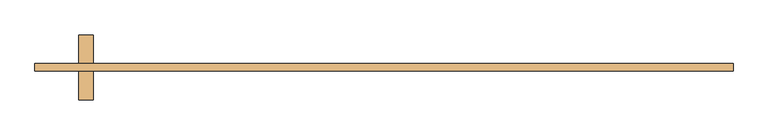
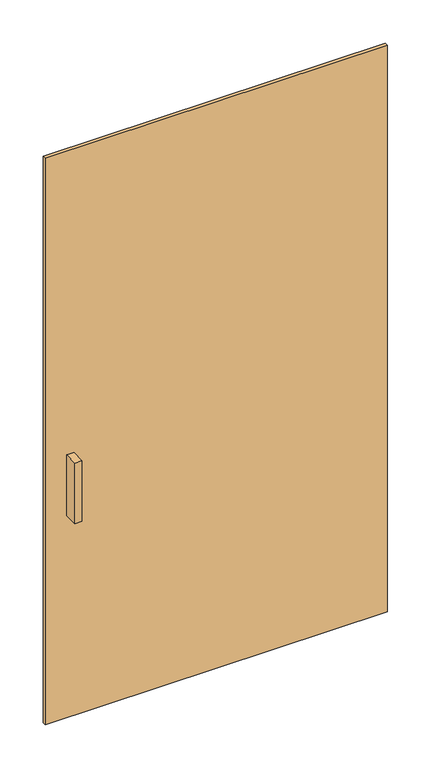
"""IFC4 building model written with IfcOpenShell, lengths in millimetres: door geometry."""

from ifc_helpers import new_model, si_unit, frame, origin, origin_with_axes, place, context, project, spatial, polyline, outline, extrude, source, transform, mapped, element, save


def door_e8be0f80(model_context):
    return source(origin(), model_context, "Body", "SweptSolid", [
        extrude(outline(polyline([(609.6, 44.45), (609.6, 31.75), (-609.6, 31.75), (-609.6, 44.45), (609.6, 44.45)])), origin_with_axes(), (0.0, 0.0, 1.0), 2133.6),
        extrude(outline(polyline([(-508.0, -19.05), (-533.4, -19.05), (-533.4, 31.75), (-508.0, 31.75), (-508.0, -19.05)])), frame((0.0, 0.0, 762.0), z_axis=(0.0, 0.0, 1.0), x_axis=(1.0, 0.0, 0.0)), (0.0, 0.0, 1.0), 228.6),
        extrude(outline(polyline([(-533.4, 95.25), (-508.0, 95.25), (-508.0, 44.45), (-533.4, 44.45), (-533.4, 95.25)])), frame((0.0, 0.0, 762.0), z_axis=(0.0, 0.0, 1.0), x_axis=(1.0, 0.0, 0.0)), (0.0, 0.0, 1.0), 228.6),
    ])


if __name__ == "__main__":
    model = new_model("IFC4")
    model_context = context("Model", 3, world=origin())
    ifc_project = project(units=[si_unit("LENGTHUNIT", "METRE", prefix="MILLI")], contexts=[model_context])
    site = spatial("IfcSite", under=ifc_project)
    building = spatial("IfcBuilding", under=site)
    placement = place(None, origin())
    door_shape = door_e8be0f80(model_context)
    element("IfcDoor", 1, at=placement, inside=building, context=model_context, shape_type="MappedRepresentation", body=[
        mapped(door_shape, transform((0.0, 0.0, 0.0), x_axis=(1.0, 0.0, 0.0), y_axis=(0.0, 1.0, 0.0), z_axis=(0.0, 0.0, 1.0))),
    ])
    save(model, "model.ifc")
